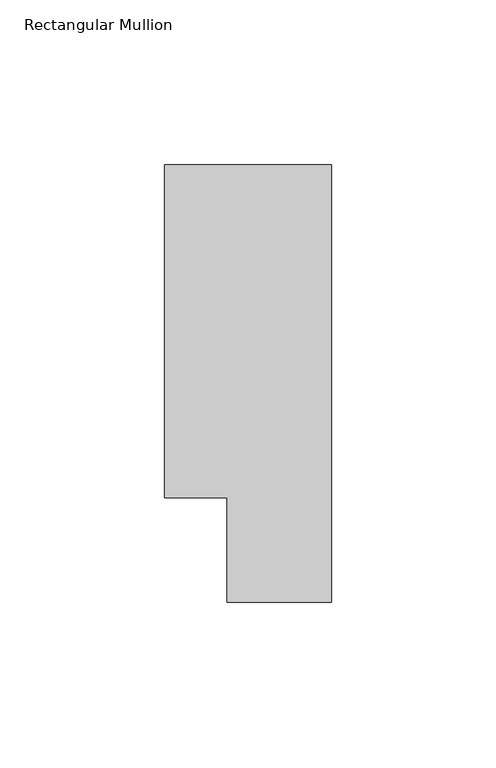
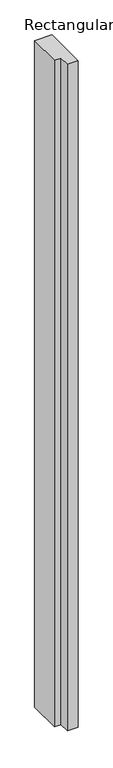
"""IFC4 building model written with IfcOpenShell, lengths in millimetres: member geometry, Rectangular Mullion."""

from ifc_helpers import new_model, si_unit, frame, origin, place, context, project, spatial, polyline, outline, extrude, source, transform, mapped, element, save


def rectangular_mullion_4d89c4d4(model_context):
    return source(origin(), model_context, "Body", "SweptSolid", [
        extrude(outline(polyline([(-6.35, 51.2960937), (-25.4, 51.2960937), (-25.4, 152.4988119), (25.4, 152.4988119), (25.4, 19.5460938), (-6.35, 19.5460938), (-6.35, 51.2960937)])), frame((0.0, 0.0, -2070.1), z_axis=(0.0, 0.0, 1.0), x_axis=(1.0, 0.0, 0.0)), (0.0, 0.0, 1.0), 2070.1),
    ])


if __name__ == "__main__":
    model = new_model("IFC4")
    model_context = context("Model", 3, world=origin())
    ifc_project = project(units=[si_unit("LENGTHUNIT", "METRE", prefix="MILLI")], contexts=[model_context])
    site = spatial("IfcSite", under=ifc_project)
    building = spatial("IfcBuilding", under=site)
    placement = place(None, origin())
    rectangular_mullion_shape = rectangular_mullion_4d89c4d4(model_context)
    element("IfcMember", 1, ObjectType="Rectangular Mullion", at=placement, inside=building, context=model_context, shape_type="MappedRepresentation", body=[
        mapped(rectangular_mullion_shape, transform((0.0, 0.0, 0.0), x_axis=(1.0, 0.0, 0.0), y_axis=(0.0, 1.0, 0.0), z_axis=(0.0, 0.0, 1.0))),
    ])
    save(model, "model.ifc")
